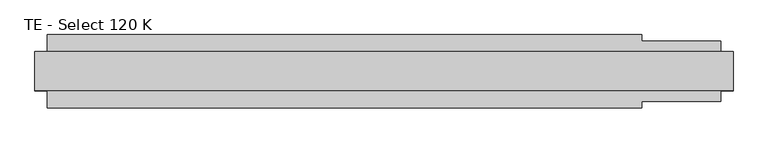
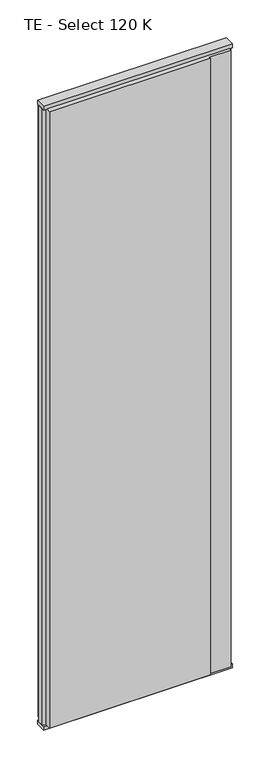
"""IFC4 building model written with IfcOpenShell, lengths in millimetres: plate geometry, TE - Select 120 K."""

from ifc_helpers import new_model, si_unit, frame, origin, origin_with_axes, place, context, project, spatial, polyline, outline, extrude, source, transform, mapped, element, save


def te_select_120_k_fd189b44(model_context):
    return source(origin(), model_context, "Body", "SweptSolid", [
        extrude(outline(polyline([(422.9166667, 60.0), (422.9166667, 50.0), (552.9166667, 50.0), (552.9166667, 22.9993165), (572.9166667, 17.6401049), (572.9166667, -17.6401049), (552.9166667, -22.9993165), (552.9166667, -50.0), (422.9166667, -50.0), (422.9166667, -60.0), (-552.9166667, -60.0), (-552.9166667, -22.9993165), (-572.9166667, -17.6401049), (-572.9166667, 17.6401049), (-552.9166667, 22.9993165), (-552.9166667, 60.0), (422.9166667, 60.0)])), frame((0.0, 0.0, 25.0), z_axis=(0.0, 0.0, 1.0), x_axis=(1.0, 0.0, 0.0)), (0.0, 0.0, 1.0), 3950.0),
        extrude(outline(polyline([(572.9166667, 32.0), (572.9166667, -32.0), (-572.9166667, -32.0), (-572.9166667, 32.0), (572.9166667, 32.0)])), origin_with_axes(), (0.0, 0.0, 1.0), 25.0),
        extrude(outline(polyline([(572.9166667, 32.0), (572.9166667, -32.0), (-572.9166667, -32.0), (-572.9166667, 32.0), (572.9166667, 32.0)])), frame((0.0, 0.0, 3975.0), z_axis=(0.0, 0.0, 1.0), x_axis=(1.0, 0.0, 0.0)), (0.0, 0.0, 1.0), 25.0),
    ])


if __name__ == "__main__":
    model = new_model("IFC4")
    model_context = context("Model", 3, world=origin())
    ifc_project = project(units=[si_unit("LENGTHUNIT", "METRE", prefix="MILLI")], contexts=[model_context])
    site = spatial("IfcSite", under=ifc_project)
    building = spatial("IfcBuilding", under=site)
    placement = place(None, origin())
    te_select_120_k_shape = te_select_120_k_fd189b44(model_context)
    element("IfcPlate", 1, ObjectType="TE - Select 120 K", at=placement, inside=building, context=model_context, shape_type="MappedRepresentation", body=[
        mapped(te_select_120_k_shape, transform((0.0, 0.0, 0.0), x_axis=(1.0, 0.0, 0.0), y_axis=(0.0, 1.0, 0.0), z_axis=(0.0, 0.0, 1.0))),
    ])
    save(model, "model.ifc")
